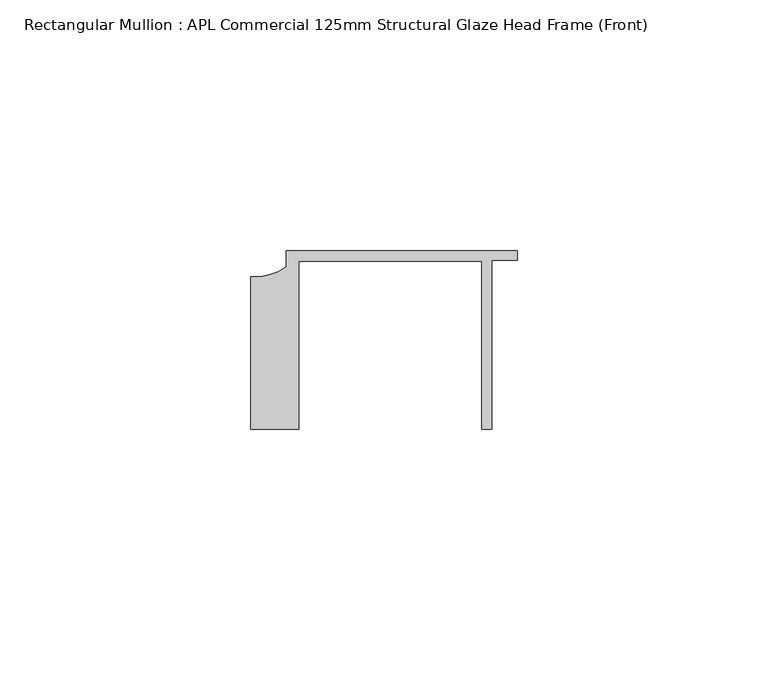
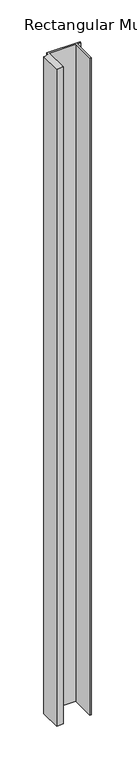
"""IFC4 building model written with IfcOpenShell, lengths in millimetres: member geometry, Rectangular Mullion : APL Commercial 125mm Structural Glaze Head Frame (Front)."""

from ifc_helpers import new_model, si_unit, point, frame, frame_2d, origin, place, context, project, spatial, polyline, circle_curve, trimmed, segment, composite_curve, outline, extrude, source, transform, mapped, element, save


def rectangular_mullion_apl_commercial_125mm_structural_glaze_b57a2a6c(model_context):
    return source(origin(), model_context, "Body", "SweptSolid", [
        extrude(outline(composite_curve([segment(polyline([(-52.9999542, -15.0), (-52.9999542, 15.3798304)]), True, "CONTINUOUS"), segment(trimmed(circle_curve(frame_2d((-52.109817, 25.7982641)), 10.4563907), [point((-52.9999542, 15.3798304))], [point((-45.9999994, 17.3126154))], True, "CARTESIAN"), True, "CONTINUOUS"), segment(polyline([(-45.9999994, 17.3126154), (-45.9999994, 20.5002486), (0.0, 20.5002486), (0.0, 18.7002486), (-5.0, 18.7002486), (-5.0, -15.0), (-7.0, -15.0), (-7.0, 18.5002486), (-43.5000151, 18.5002486), (-43.5000151, -15.0), (-52.9999542, -15.0)]), True, "CONTINUOUS")], self_intersect=False)), frame((0.0, 0.0, -960.2963594), z_axis=(0.0, 0.0, 1.0), x_axis=(1.0, 0.0, 0.0)), (0.0, 0.0, 1.0), 960.2963594),
    ])


if __name__ == "__main__":
    model = new_model("IFC4")
    model_context = context("Model", 3, world=origin())
    ifc_project = project(units=[si_unit("LENGTHUNIT", "METRE", prefix="MILLI")], contexts=[model_context])
    site = spatial("IfcSite", under=ifc_project)
    building = spatial("IfcBuilding", under=site)
    placement = place(None, origin())
    rectangular_mullion_apl_commercial_125mm_structural_glaze_shape = rectangular_mullion_apl_commercial_125mm_structural_glaze_b57a2a6c(model_context)
    element("IfcMember", 1, ObjectType="Rectangular Mullion : APL Commercial 125mm Structural Glaze Head Frame (Front)", at=placement, inside=building, context=model_context, shape_type="MappedRepresentation", body=[
        mapped(rectangular_mullion_apl_commercial_125mm_structural_glaze_shape, transform((0.0, 0.0, 0.0), x_axis=(1.0, 0.0, 0.0), y_axis=(0.0, 1.0, 0.0), z_axis=(0.0, 0.0, 1.0))),
    ])
    save(model, "model.ifc")
